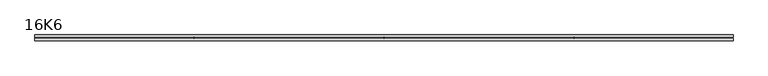
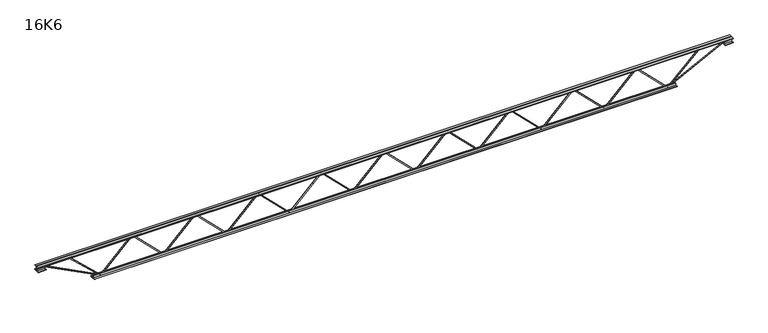
"""IFC4 building model written with IfcOpenShell, lengths in millimetres: beam geometry, 16K6."""

from ifc_helpers import new_model, si_unit, frame, origin, place, context, project, spatial, polyline, outline, extrude, source, transform, mapped, element, save


def beam_16k6_44470dff(model_context):
    return source(origin(), model_context, "Body", "SweptSolid", [
        extrude(outline(polyline([(-191.9, 2003.0555556), (-201.4, 2003.0555556), (-201.4, 2008.1946752), (191.9, 2402.4557863), (191.9, 2404.877547), (-201.4, 2799.1386581), (-201.4, 2804.2777778), (-191.9, 2804.2777778), (-191.9, 2803.0668974), (201.4, 2408.8057863), (201.4, 2398.527547), (-191.9, 2004.2664359), (-191.9, 2003.0555556)])), frame((0.0, -4.75, 0.0), z_axis=(0.0, 1.0, 0.0), x_axis=(0.0, 0.0, 1.0)), (0.0, 0.0, 1.0), 9.5),
        extrude(outline(polyline([(-191.9, 1201.8333333), (-201.4, 1201.8333333), (-201.4, 1206.972453), (191.9, 1601.2335641), (191.9, 1603.6553248), (-201.4, 1997.9164359), (-201.4, 2003.0555556), (-191.9, 2003.0555556), (-191.9, 2001.8446752), (201.4, 1607.5835641), (201.4, 1597.3053248), (-191.9, 1203.0442137), (-191.9, 1201.8333333)])), frame((0.0, -4.75, 0.0), z_axis=(0.0, 1.0, 0.0), x_axis=(0.0, 0.0, 1.0)), (0.0, 0.0, 1.0), 9.5),
        extrude(outline(polyline([(-191.9, 400.6111111), (-201.4, 400.6111111), (-201.4, 405.7502307), (191.9, 800.0113419), (191.9, 802.4331026), (-201.4, 1196.6942137), (-201.4, 1201.8333333), (-191.9, 1201.8333333), (-191.9, 1200.622453), (201.4, 806.3613419), (201.4, 796.0831026), (-191.9, 401.8219915), (-191.9, 400.6111111)])), frame((0.0, -4.75, 0.0), z_axis=(0.0, 1.0, 0.0), x_axis=(0.0, 0.0, 1.0)), (0.0, 0.0, 1.0), 9.5),
        extrude(outline(polyline([(-191.9, -400.6111111), (-201.4, -400.6111111), (-201.4, -395.4719915), (191.9, -1.2108804), (191.9, 1.2108804), (-201.4, 395.4719915), (-201.4, 400.6111111), (-191.9, 400.6111111), (-191.9, 399.4002307), (201.4, 5.1391196), (201.4, -5.1391196), (-191.9, -399.4002307), (-191.9, -400.6111111)])), frame((0.0, -4.75, 0.0), z_axis=(0.0, 1.0, 0.0), x_axis=(0.0, 0.0, 1.0)), (0.0, 0.0, 1.0), 9.5),
        extrude(outline(polyline([(-191.9, -1201.8333333), (-201.4, -1201.8333333), (-201.4, -1196.6942137), (191.9, -802.4331026), (191.9, -800.0113419), (-201.4, -405.7502307), (-201.4, -400.6111111), (-191.9, -400.6111111), (-191.9, -401.8219915), (201.4, -796.0831026), (201.4, -806.3613419), (-191.9, -1200.622453), (-191.9, -1201.8333333)])), frame((0.0, -4.75, 0.0), z_axis=(0.0, 1.0, 0.0), x_axis=(0.0, 0.0, 1.0)), (0.0, 0.0, 1.0), 9.5),
        extrude(outline(polyline([(-191.9, -2003.0555556), (-201.4, -2003.0555556), (-201.4, -1997.9164359), (191.9, -1603.6553248), (191.9, -1601.2335641), (-201.4, -1206.972453), (-201.4, -1201.8333333), (-191.9, -1201.8333333), (-191.9, -1203.0442137), (201.4, -1597.3053248), (201.4, -1607.5835641), (-191.9, -2001.8446752), (-191.9, -2003.0555556)])), frame((0.0, -4.75, 0.0), z_axis=(0.0, 1.0, 0.0), x_axis=(0.0, 0.0, 1.0)), (0.0, 0.0, 1.0), 9.5),
        extrude(outline(polyline([(-191.9, -2804.2777778), (-201.4, -2804.2777778), (-201.4, -2799.1386581), (191.9, -2404.877547), (191.9, -2402.4557863), (-201.4, -2008.1946752), (-201.4, -2003.0555556), (-191.9, -2003.0555556), (-191.9, -2004.2664359), (201.4, -2398.527547), (201.4, -2408.8057863), (-191.9, -2803.0668974), (-191.9, -2804.2777778)])), frame((0.0, -4.75, 0.0), z_axis=(0.0, 1.0, 0.0), x_axis=(0.0, 0.0, 1.0)), (0.0, 0.0, 1.0), 9.5),
        extrude(outline(polyline([(-191.9, 2804.2777778), (-201.4, 2804.2777778), (-201.4, 2809.4168974), (191.9, 3203.6780085), (191.9, 3206.0997693), (-201.4, 3600.3608804), (-201.4, 3605.5), (-191.9, 3605.5), (-191.9, 3604.2891196), (201.4, 3210.0280085), (201.4, 3199.7497693), (-191.9, 2805.4886581), (-191.9, 2804.2777778)])), frame((0.0, -4.75, 0.0), z_axis=(0.0, 1.0, 0.0), x_axis=(0.0, 0.0, 1.0)), (0.0, 0.0, 1.0), 9.5),
        extrude(outline(polyline([(-191.9, -3605.5), (-201.4, -3605.5), (-201.4, -3600.3608804), (191.9, -3206.0997693), (191.9, -3203.6780085), (-201.4, -2809.4168974), (-201.4, -2804.2777778), (-191.9, -2804.2777778), (-191.9, -2805.4886581), (201.4, -3199.7497693), (201.4, -3210.0280085), (-191.9, -3604.2891196), (-191.9, -3605.5)])), frame((0.0, -4.75, 0.0), z_axis=(0.0, 1.0, 0.0), x_axis=(0.0, 0.0, 1.0)), (0.0, 0.0, 1.0), 9.5),
        extrude(outline(polyline([(4.75, 203.0), (36.75, 203.0), (36.75, 196.5), (11.25, 196.5), (11.25, 171.0), (4.75, 171.0), (4.75, 203.0)])), frame((-4417.5, 0.0, 0.0), z_axis=(1.0, 0.0, 0.0), x_axis=(0.0, 1.0, 0.0)), (0.0, 0.0, 1.0), 8835.0),
        extrude(outline(polyline([(-4.75, 203.0), (-4.75, 171.0), (-11.25, 171.0), (-11.25, 196.5), (-36.75, 196.5), (-36.75, 203.0), (-4.75, 203.0)])), frame((-4417.5, 0.0, 0.0), z_axis=(1.0, 0.0, 0.0), x_axis=(0.0, 1.0, 0.0)), (0.0, 0.0, 1.0), 8835.0),
        extrude(outline(polyline([(-4.75, 139.5), (-36.75, 139.5), (-36.75, 146.0), (-11.25, 146.0), (-11.25, 171.0), (-4.75, 171.0), (-4.75, 139.5)])), frame((-4417.5, 0.0, 0.0), z_axis=(1.0, 0.0, 0.0), x_axis=(0.0, 1.0, 0.0)), (0.0, 0.0, 1.0), 100.0),
        extrude(outline(polyline([(36.75, 139.5), (4.75, 139.5), (4.75, 171.0), (11.25, 171.0), (11.25, 146.0), (36.75, 146.0), (36.75, 139.5)])), frame((-4417.5, 0.0, 0.0), z_axis=(1.0, 0.0, 0.0), x_axis=(0.0, 1.0, 0.0)), (0.0, 0.0, 1.0), 100.0),
        extrude(outline(polyline([(4.75, 139.5), (4.75, 171.0), (11.25, 171.0), (11.25, 146.0), (36.75, 146.0), (36.75, 139.5), (4.75, 139.5)])), frame((4317.5, 0.0, 0.0), z_axis=(1.0, 0.0, 0.0), x_axis=(0.0, 1.0, 0.0)), (0.0, 0.0, 1.0), 100.0),
        extrude(outline(polyline([(-4.75, 139.5), (-36.75, 139.5), (-36.75, 146.0), (-11.25, 146.0), (-11.25, 171.0), (-4.75, 171.0), (-4.75, 139.5)])), frame((4317.5, 0.0, 0.0), z_axis=(1.0, 0.0, 0.0), x_axis=(0.0, 1.0, 0.0)), (0.0, 0.0, 1.0), 100.0),
        extrude(outline(polyline([(4.75, -203.0), (4.75, -171.0), (11.25, -171.0), (11.25, -196.5), (36.75, -196.5), (36.75, -203.0), (4.75, -203.0)])), frame((-3705.5, 0.0, 0.0), z_axis=(1.0, 0.0, 0.0), x_axis=(0.0, 1.0, 0.0)), (0.0, 0.0, 1.0), 7411.0),
        extrude(outline(polyline([(-4.75, -203.0), (-36.75, -203.0), (-36.75, -196.5), (-11.25, -196.5), (-11.25, -171.0), (-4.75, -171.0), (-4.75, -203.0)])), frame((-3705.5, 0.0, 0.0), z_axis=(1.0, 0.0, 0.0), x_axis=(0.0, 1.0, 0.0)), (0.0, 0.0, 1.0), 7411.0),
        extrude(outline(polyline([(-200.8705467, -3607.6793315), (-192.4294533, -3603.3206685), (175.75, -4316.3460208), (175.75, -4417.5), (166.25, -4417.5), (166.25, -4318.6539792), (-200.8705467, -3607.6793315)])), frame((0.0, -4.75, 0.0), z_axis=(0.0, 1.0, 0.0), x_axis=(0.0, 0.0, 1.0)), (0.0, 0.0, 1.0), 9.5),
        extrude(outline(polyline([(188.7, -4026.068254), (179.2, -4026.068254), (179.2, -4015.2402521), (-200.1228397, -3608.7406611), (-193.1771603, -3602.2593389), (188.7, -4011.4962559), (188.7, -4026.068254)])), frame((0.0, -4.75, 0.0), z_axis=(0.0, 1.0, 0.0), x_axis=(0.0, 0.0, 1.0)), (0.0, 0.0, 1.0), 9.5),
        extrude(outline(polyline([(0.0, -9.5), (0.0, 0.0), (801.3179909, 0.0), (801.3179909, -9.5), (0.0, -9.5)])), frame((4319.6793315, -4.75, 166.7794533), z_axis=(-0.4588066213244958, 0.0, 0.8885361468329811), x_axis=(-0.8885361468329811, 0.0, -0.4588066213244958)), (0.0, 0.0, 1.0), 9.5),
        extrude(outline(polyline([(0.0, -9.5), (0.0, 0.0), (571.8513662, 0.0), (571.8513662, -9.5), (0.0, -9.5)])), frame((4023.8922859, -4.75, 193.2018214), z_axis=(-0.6877661280672095, 0.0, 0.7259323336809284), x_axis=(-0.7259323336809284, 0.0, -0.6877661280672095)), (0.0, 0.0, 1.0), 9.5),
    ])


if __name__ == "__main__":
    model = new_model("IFC4")
    model_context = context("Model", 3, world=origin())
    ifc_project = project(units=[si_unit("LENGTHUNIT", "METRE", prefix="MILLI")], contexts=[model_context])
    site = spatial("IfcSite", under=ifc_project)
    building = spatial("IfcBuilding", under=site)
    placement = place(None, origin())
    beam_16k6_shape = beam_16k6_44470dff(model_context)
    element("IfcBeam", 1, ObjectType="16K6", at=placement, inside=building, context=model_context, shape_type="MappedRepresentation", body=[
        mapped(beam_16k6_shape, transform((0.0, 0.0, 0.0), x_axis=(1.0, 0.0, 0.0), y_axis=(0.0, 1.0, 0.0), z_axis=(0.0, 0.0, 1.0))),
    ])
    save(model, "model.ifc")
